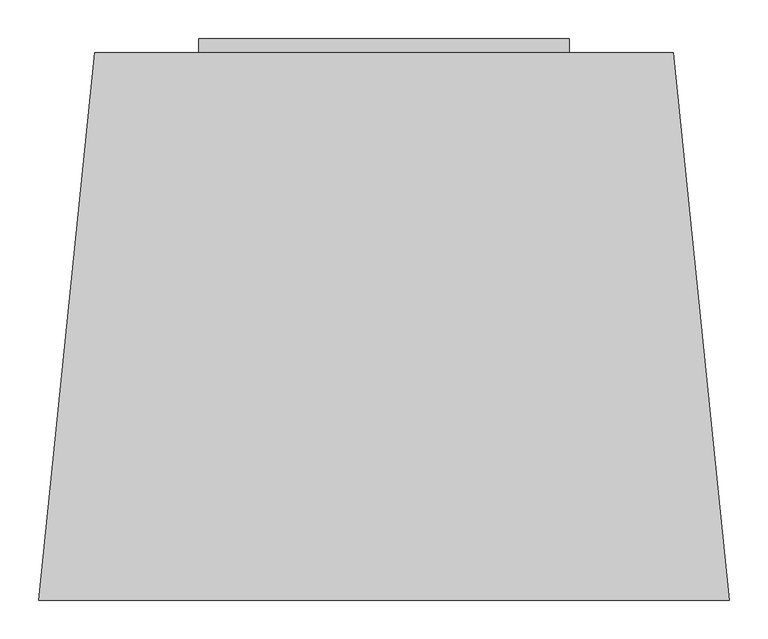
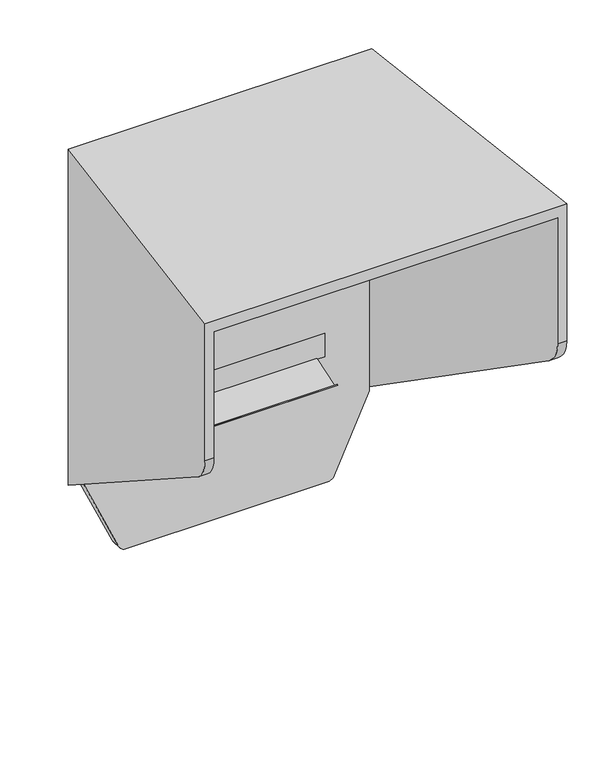
"""IFC4 building model written with IfcOpenShell, lengths in millimetres: furniture geometry."""

import ifcopenshell
import ifcopenshell.guid

model = None  # the IFC model being written
_history = None  # IfcOwnerHistory: only IFC2X3 demands one
_inside = {}  # id of a spatial element -> (the spatial element, [elements in it])
_under = {}  # id of a project, library or spatial element -> (it, [spatial elements below it])
_declared = {}  # id of a project -> (the project, [libraries it declares])
_typed = {}  # id of a type object -> (the type object, [elements of that type])
_made_of = {}  # id of a material, layer set ... -> (it, [elements and type objects made of it])


def new_model(schema):
    """Start an empty IFC model of exactly this schema.

    Asked for "IFC4X3", IfcOpenShell would pick the latest addendum, in which some entities
    have other attributes; the version numbers below select the first issue.
    IFC2X3 requires an IfcOwnerHistory on every rooted entity: one is made here for all.
    """
    global model, _history
    if schema == "IFC4X3":
        model = ifcopenshell.file(schema_version=(4, 3, 0, 0))
    else:
        model = ifcopenshell.file(schema=schema)
    _inside.clear()
    _under.clear()
    _declared.clear()
    _typed.clear()
    _made_of.clear()
    _history = None
    if model.schema == "IFC2X3":
        org = make("IfcOrganization", Name="unknown")
        user = make(
            "IfcPersonAndOrganization",
            ThePerson=make("IfcPerson", FamilyName="unknown"),
            TheOrganization=org,
        )
        app = make(
            "IfcApplication",
            ApplicationDeveloper=org,
            Version="unknown",
            ApplicationFullName="unknown",
            ApplicationIdentifier="unknown",
        )
        _history = make(
            "IfcOwnerHistory",
            OwningUser=user,
            OwningApplication=app,
            ChangeAction="ADDED",
            CreationDate=0,
        )
    return model


def make(cls, **values):
    """One entity of the class cls with the attributes given. An attribute that is None is left unset."""
    return model.create_entity(
        cls, **{name: value for name, value in values.items() if value is not None}
    )


def rooted(cls, **values):
    """An entity with a GlobalId (a new one), such as an element, a storey or a relation."""
    return make(cls, GlobalId=ifcopenshell.guid.new(), OwnerHistory=_history, **values)


def si_unit(unit_type, name, prefix=None):
    """IfcSIUnit, for example si_unit("LENGTHUNIT", "METRE", prefix="MILLI")."""
    return make("IfcSIUnit", UnitType=unit_type, Prefix=prefix, Name=name)


def assignment(units):
    """IfcUnitAssignment: the units of a project."""
    return None if units is None else make("IfcUnitAssignment", Units=units)


def point(xyz):
    """IfcCartesianPoint."""
    return None if xyz is None else make("IfcCartesianPoint", Coordinates=xyz)


def direction(xyz):
    """IfcDirection."""
    return None if xyz is None else make("IfcDirection", DirectionRatios=xyz)


def frame(location, z_axis=None, x_axis=None):
    """IfcAxis2Placement3D, a coordinate frame: its origin and axes. An axis left out is left unset."""
    return make(
        "IfcAxis2Placement3D",
        Location=point(location),
        Axis=direction(z_axis),
        RefDirection=direction(x_axis),
    )


def frame_2d(location, x_axis=None):
    """IfcAxis2Placement2D, a coordinate frame in the plane: its origin and x axis."""
    return make(
        "IfcAxis2Placement2D", Location=point(location), RefDirection=direction(x_axis)
    )


def origin():
    """The frame at (0, 0, 0) with its axes left unset."""
    return frame((0.0, 0.0, 0.0))


def place(relative_to, where):
    """IfcLocalPlacement: puts the frame where relative to a parent placement (None: the world)."""
    return make(
        "IfcLocalPlacement", PlacementRelTo=relative_to, RelativePlacement=where
    )


def context(
    kind, dimensions, precision=None, world=None, true_north=None, identifier=None
):
    """IfcGeometricRepresentationContext, for example the 3D "Model" context."""
    return make(
        "IfcGeometricRepresentationContext",
        ContextIdentifier=identifier,
        ContextType=kind,
        CoordinateSpaceDimension=dimensions,
        Precision=precision,
        WorldCoordinateSystem=world,
        TrueNorth=true_north,
    )


def project(units=None, contexts=None):
    """IfcProject with its units and contexts."""
    return rooted(
        "IfcProject",
        Name="project",
        RepresentationContexts=contexts,
        UnitsInContext=assignment(units),
    )


def spatial(cls, under=None, at=None, **own):
    """A site, building, storey or space (cls), placed at a placement, below another one or the project."""
    s = rooted(cls, ObjectPlacement=at, **own)
    if under is not None:
        _under.setdefault(under.id(), (under, []))[1].append(s)
    return s


def polyline(points):
    """IfcPolyline through the points."""
    return make("IfcPolyline", Points=[point(p) for p in points])


def circle_curve(where, radius):
    """IfcCircle in the frame where."""
    return make("IfcCircle", Position=where, Radius=radius)


def ellipse_curve(where, semi_axis1, semi_axis2):
    """IfcEllipse in the frame where."""
    return make(
        "IfcEllipse", Position=where, SemiAxis1=semi_axis1, SemiAxis2=semi_axis2
    )


def trimmed(basis, trim1, trim2, sense, master):
    """IfcTrimmedCurve: the piece of a basis curve between two trims."""
    return make(
        "IfcTrimmedCurve",
        BasisCurve=basis,
        Trim1=trim1,
        Trim2=trim2,
        SenseAgreement=sense,
        MasterRepresentation=master,
    )


def segment(curve, same_sense, transition):
    """IfcCompositeCurveSegment."""
    return make(
        "IfcCompositeCurveSegment",
        Transition=transition,
        SameSense=same_sense,
        ParentCurve=curve,
    )


def composite_curve(segments, self_intersect=None):
    """IfcCompositeCurve: segments joined end to end."""
    return make("IfcCompositeCurve", Segments=segments, SelfIntersect=self_intersect)


def outline(outer, holes=None, kind="AREA"):
    """IfcArbitraryClosedProfileDef: a profile drawn as a closed curve; with holes, ...WithVoids."""
    if holes is None:
        return make("IfcArbitraryClosedProfileDef", ProfileType=kind, OuterCurve=outer)
    return make(
        "IfcArbitraryProfileDefWithVoids",
        ProfileType=kind,
        OuterCurve=outer,
        InnerCurves=holes,
    )


def extrude(swept, where, along, depth):
    """IfcExtrudedAreaSolid: the profile swept, set in the frame where, extruded along a direction by depth."""
    return make(
        "IfcExtrudedAreaSolid",
        SweptArea=swept,
        Position=where,
        ExtrudedDirection=direction(along),
        Depth=depth,
    )


def faces_of(points, faces, orient=None, outer=None):
    """IfcFace entities. A face is a list of loops; a loop is a list of indices into points, from 0.

    orient and outer hold one flag for each loop. By default every Orientation is true, the
    first loop of a face is its IfcFaceOuterBound and the others are IfcFaceBound.
    """
    made = []
    for i, loops in enumerate(faces):
        bounds = []
        for j, loop in enumerate(loops):
            is_outer = j == 0 if outer is None else outer[i][j]
            bounds.append(
                make(
                    "IfcFaceOuterBound" if is_outer else "IfcFaceBound",
                    Bound=make("IfcPolyLoop", Polygon=[points[k] for k in loop]),
                    Orientation=True if orient is None else orient[i][j],
                )
            )
        made.append(make("IfcFace", Bounds=bounds))
    return made


def faceted_brep(points, faces, orient=None, outer=None, voids=None):
    """IfcFacetedBrep: a solid bounded by flat faces; with voids (closed shells), ...WithVoids."""
    shared = [point(p) for p in points]
    hull = make("IfcClosedShell", CfsFaces=faces_of(shared, faces, orient, outer))
    if voids is None:
        return make("IfcFacetedBrep", Outer=hull)
    return make(
        "IfcFacetedBrepWithVoids",
        Outer=hull,
        Voids=[
            make(cls, CfsFaces=faces_of(shared, fs, o, b)) for cls, fs, o, b in voids
        ],
    )


def shape(context_of_items, identifier, shape_type, items):
    """IfcShapeRepresentation: the items that make up one representation, for example the "Body"."""
    return make(
        "IfcShapeRepresentation",
        ContextOfItems=context_of_items,
        RepresentationIdentifier=identifier,
        RepresentationType=shape_type,
        Items=items,
    )


def source(mapping_origin, context_of_items, identifier, shape_type, items):
    """IfcRepresentationMap: a shape defined once, which mapped items show again and again."""
    return make(
        "IfcRepresentationMap",
        MappingOrigin=mapping_origin,
        MappedRepresentation=shape(context_of_items, identifier, shape_type, items),
    )


def transform(
    local_origin,
    x_axis=None,
    y_axis=None,
    z_axis=None,
    scale=None,
    scale2=None,
    scale3=None,
    uniform=True,
):
    """IfcCartesianTransformationOperator3D, or its non-uniform kind. x_axis, y_axis, z_axis: its Axis1, 2, 3."""
    if uniform:
        return make(
            "IfcCartesianTransformationOperator3D",
            Axis1=direction(x_axis),
            Axis2=direction(y_axis),
            LocalOrigin=point(local_origin),
            Scale=scale,
            Axis3=direction(z_axis),
        )
    return make(
        "IfcCartesianTransformationOperator3DnonUniform",
        Axis1=direction(x_axis),
        Axis2=direction(y_axis),
        LocalOrigin=point(local_origin),
        Scale=scale,
        Axis3=direction(z_axis),
        Scale2=scale2,
        Scale3=scale3,
    )


def mapped(mapping_source, mapping_target):
    """IfcMappedItem: shows the shape of a source again, moved by a transform."""
    return make(
        "IfcMappedItem", MappingSource=mapping_source, MappingTarget=mapping_target
    )


def made_of(thing, what):
    """Note that an element or type object is made of a material, layer set ...; save() writes the relation."""
    if what is not None:
        _made_of.setdefault(what.id(), (what, []))[1].append(thing)
    return thing


def element(
    cls,
    number,
    at=None,
    inside=None,
    cuts=None,
    type_object=None,
    material=None,
    context=None,
    identifier="Body",
    shape_type=None,
    held_by="IfcProductDefinitionShape",
    body=None,
    shapes=None,
    **own,
):
    """One element of the class cls, such as IfcWall. Its Tag is "e" and its number.

    at: its placement. inside: the storey or other place that contains it. cuts: it is an
    opening in that element (IfcRelVoidsElement). A single representation is given by context,
    identifier, shape_type and body (its items); several are given by shapes. held_by: the class
    of the entity that holds the representations. save() writes the other relations.
    """
    e = rooted(cls, Tag="e%d" % number, ObjectPlacement=at, **own)
    if body is not None:
        shapes = [shape(context, identifier, shape_type, body)]
    if shapes is not None:
        e.Representation = make(held_by, Representations=shapes)
    if inside is not None:
        _inside.setdefault(inside.id(), (inside, []))[1].append(e)
    if cuts is not None:
        rooted(
            "IfcRelVoidsElement", RelatingBuildingElement=cuts, RelatedOpeningElement=e
        )
    if type_object is not None:
        _typed.setdefault(type_object.id(), (type_object, []))[1].append(e)
    return made_of(e, material)


def aggregate(whole, parts):
    """IfcRelAggregates: a whole, such as a stair, and the parts it consists of."""
    return rooted("IfcRelAggregates", RelatingObject=whole, RelatedObjects=parts)


def save(model, path):
    """Write the relations noted so far, then the file.

    IfcRelAggregates (storeys below a building ...), IfcRelContainedInSpatialStructure (elements
    in a storey), IfcRelDefinesByType, IfcRelAssociatesMaterial and IfcRelDeclares: one each for
    every whole, place, type object, material and project.
    """
    for whole, parts in _under.values():
        aggregate(whole, parts)
    for where, things in _inside.values():
        rooted(
            "IfcRelContainedInSpatialStructure",
            RelatedElements=things,
            RelatingStructure=where,
        )
    for kind, things in _typed.values():
        rooted("IfcRelDefinesByType", RelatedObjects=things, RelatingType=kind)
    for what, things in _made_of.values():
        rooted("IfcRelAssociatesMaterial", RelatedObjects=things, RelatingMaterial=what)
    for by, libraries in _declared.values():
        rooted("IfcRelDeclares", RelatingContext=by, RelatedDefinitions=libraries)
    model.write(path)


def plane_surface(at):
    """IfcPlane: the flat surface through the origin of the frame at, square to its z axis."""
    return make("IfcPlane", Position=at)


def cylinder_surface(at, radius):
    """IfcCylindricalSurface: all points at the distance radius from the z axis of the frame at."""
    return make("IfcCylindricalSurface", Position=at, Radius=radius)


def advanced_brep(points, edges, surfaces, faces):
    """IfcAdvancedBrep: a solid bounded by faces that lie on surfaces and meet in shared edges.

    An edge is (start, end): straight between two places in points (the first is 0);
    or (start, end, curve); or (start, end, curve, False) where it runs against its curve.
    A face is (place in surfaces, loops), or (place, loops, False) where it looks against
    its surface's normal. A loop lists edges by number (the first is 1), with a minus sign
    where the edge is run from its end to its start. The first loop is the outer one.
    """
    corners = [point(p) for p in points]
    vertices = [make("IfcVertexPoint", VertexGeometry=c) for c in corners]
    made = []
    for start, end, *more in edges:
        made.append(
            make(
                "IfcEdgeCurve",
                EdgeStart=vertices[start],
                EdgeEnd=vertices[end],
                EdgeGeometry=more[0] if more else make("IfcPolyline", Points=[corners[start], corners[end]]),
                SameSense=more[1] if len(more) > 1 else True,
            )
        )
    hull = []
    for where, loops, *sense in faces:
        bounds = []
        for j, loop in enumerate(loops):
            ring = [make("IfcOrientedEdge", EdgeElement=made[abs(k) - 1], Orientation=k > 0) for k in loop]
            bounds.append(
                make(
                    "IfcFaceOuterBound" if j == 0 else "IfcFaceBound",
                    Bound=make("IfcEdgeLoop", EdgeList=ring),
                    Orientation=True,
                )
            )
        hull.append(make("IfcAdvancedFace", Bounds=bounds, FaceSurface=surfaces[where], SameSense=sense[0] if sense else True))
    return make("IfcAdvancedBrep", Outer=make("IfcClosedShell", CfsFaces=hull))


def furniture_3f106c0f(model_context):
    return source(origin(), model_context, "Body", "SolidModel", [
        extrude(outline(composite_curve([segment(polyline([(1196.2520627, -225.1627467), (1010.7755343, -141.9604968)]), True, "CONTINUOUS"), segment(trimmed(circle_curve(frame_2d((1018.2926056, -125.2032543)), 18.3660431), [point((1010.7755343, -141.9604968))], [point((999.9265625, -125.2032543))], False, "CARTESIAN"), True, "CONTINUOUS"), segment(polyline([(999.9265625, -125.2032543), (999.9265625, 374.4783123)]), True, "CONTINUOUS"), segment(trimmed(circle_curve(frame_2d((1018.2820312, 374.4783123)), 18.3554688), [point((999.9265625, 374.4783123))], [point((1010.7054031, 391.1971024))], False, "CARTESIAN"), True, "CONTINUOUS"), segment(polyline([(1010.7054031, 391.1971024), (1195.9359164, 475.1399425)]), True, "CONTINUOUS"), segment(trimmed(circle_curve(frame_2d((1203.7173183, 457.9692933)), 18.8515625), [point((1195.9359164, 475.1399425))], [point((1203.7172845, 476.8208558))], False, "CARTESIAN"), True, "CONTINUOUS"), segment(polyline([(1203.7172845, 476.8208558), (2040.9999033, 476.8223546), (2040.9999033, -226.8291567), (1203.9675135, -226.814077)]), True, "CONTINUOUS"), segment(trimmed(circle_curve(frame_2d((1203.9678531, -207.9625145)), 18.8515625), [point((1203.9675135, -226.814077))], [point((1196.2520627, -225.1627467))], False, "CARTESIAN"), True, "CONTINUOUS")], self_intersect=False)), frame((0.0, -122.0084511, 0.0), z_axis=(0.0, 1.0, 0.0), x_axis=(0.0, 0.0, 1.0)), (0.0, 0.0, 1.0), 29.0060977),
        advanced_brep(
        [(572.3771994, -802.9125096, 2070.0007812), (499.8868824, -93.0023534, 2070.0007812), (-249.7337487, -93.0023534, 2070.0007812), (-322.2246246, -802.9125096, 2070.0007812), (476.8216093, -93.0023534, 1191.7094635), (546.6051375, -769.3611561, 1648.8362137), (550.0668088, -802.9125096, 1712.0080734), (550.0668088, -802.9125096, 2040.9999033), (476.8216093, -93.0023534, 2040.9999033), (-322.2246246, -802.9125096, 1712.0080734), (-300.0668088, -802.9125096, 1712.0080734), (-300.0668088, -802.9125096, 2040.9999033), (572.3771994, -802.9125096, 1712.0080734), (568.9512049, -769.3611561, 1648.8362137), (499.8868824, -93.0023534, 1191.7094635), (-226.8216093, -93.0023534, 2040.9999033), (-226.8216093, -93.0023534, 1191.7094635), (-249.7337487, -93.0023534, 1191.7094635), (-296.6051375, -769.3611561, 1648.8362137), (-318.7986038, -769.3611561, 1648.8362137)],
        [
            (0, 1),
            (1, 2),
            (2, 3),
            (3, 0),
            (4, 5),
            (5, 6, ellipse_curve(frame((542.2000055, -726.6655531, 1712.0080734), z_axis=(-0.9947195490172969, -0.10263049645610012, 0.0), x_axis=(-0.10263049645609973, 0.994719549017297, 0.0)), 76.6517122, 76.2469566)),
            (6, 7),
            (7, 8),
            (8, 4),
            (3, 9),
            (9, 10),
            (10, 11),
            (11, 7),
            (6, 12),
            (12, 0),
            (12, 13, ellipse_curve(frame((564.5914732, -726.6655531, 1712.0080734), z_axis=(0.9948269925511616, 0.10158373340063472, 0.0), x_axis=(-0.10158373340063367, 0.9948269925511617, 0.0)), 76.6434336, 76.2469566)),
            (13, 14),
            (14, 1),
            (14, 4),
            (8, 15),
            (15, 16),
            (16, 17),
            (17, 2),
            (18, 16),
            (15, 11),
            (10, 18, ellipse_curve(frame((-292.2000055, -726.6655531, 1712.0080734), z_axis=(0.9947195490172974, -0.10263049645609514, 0.0), x_axis=(-0.10263049645609379, -0.9947195490172973, 0.0)), 76.6517122, 76.2469566)),
            (17, 19),
            (19, 9, ellipse_curve(frame((-314.4388385, -726.6655531, 1712.0080734), z_axis=(-0.9948269133965385, 0.10158450857249933, 0.0), x_axis=(-0.10158450857249769, -0.9948269133965385, 0.0)), 76.6434397, 76.2469566)),
            (13, 5),
            (18, 19),
        ],
        [
            plane_surface(frame((550.0668088, -802.9125096, 2070.0007812), z_axis=(0.0, 0.0, 1.0), x_axis=(0.10263049645610012, -0.9947195490172969, 0.0))),
            plane_surface(frame((476.8216093, -93.0023534, 2070.0007812), z_axis=(-0.9947195490172969, -0.10263049645610012, 0.0), x_axis=(0.0, 0.0, -1.0))),
            plane_surface(frame((550.0668088, -802.9125096, 2070.0007812), z_axis=(0.0, -1.0, 0.0), x_axis=(0.0, 0.0, -1.0))),
            plane_surface(frame((572.3771994, -802.9125096, 2070.0007812), z_axis=(0.9948269925511616, 0.10158373340063472, 0.0), x_axis=(0.0, 0.0, -1.0))),
            plane_surface(frame((499.8868824, -93.0023534, 2070.0007812), z_axis=(0.0, 1.0, 0.0), x_axis=(0.0, 0.0, -1.0))),
            plane_surface(frame((-300.0668088, -802.9125096, 2070.0007812), z_axis=(0.9947195490172974, -0.10263049645609514, 0.0), x_axis=(0.0, 0.0, -1.0))),
            plane_surface(frame((-249.7337487, -93.0023534, 2070.0007812), z_axis=(-0.9948269133965385, 0.10158450857249933, 0.0), x_axis=(0.0, 0.0, -1.0))),
            plane_surface(frame((-300.0668088, -802.9125096, 2040.9999033), z_axis=(0.0, 0.0, -1.0000000000000002), x_axis=(0.10263049645609519, 0.9947195490172974, 0.0))),
            plane_surface(frame((640.927666, -75.0, 1179.542316), z_axis=(0.0, -0.5599646853681015, -0.8285164760827651), x_axis=(-1.0, 0.0, 0.0))),
            cylinder_surface(frame((-389.0371502, -726.6655531, 1712.0080734), z_axis=(-1.0, 0.0, 0.0), x_axis=(0.0, 1.0, 0.0)), 76.2469566),
        ],
        [
            (0, [[1, 2, 3, 4]]),
            (1, [[5, 6, 7, 8, 9]]),
            (2, [[-4, 10, 11, 12, 13, -7, 14, 15]]),
            (3, [[-1, -15, 16, 17, 18]]),
            (4, [[-2, -18, 19, -9, 20, 21, 22, 23]]),
            (5, [[24, -21, 25, -12, 26]]),
            (6, [[-3, -23, 27, 28, -10]]),
            (7, [[-20, -8, -13, -25]]),
            (8, [[29, -5, -19, -17]]),
            (8, [[30, -27, -22, -24]]),
            (9, [[-29, -16, -14, -6]]),
            (9, [[-30, -26, -11, -28]]),
        ],
    ),
        faceted_brep([(366.2342173, -121.8168257, 1391.1749724), (366.2342173, -123.3168257, 1391.1749724), (366.2342173, -123.3168257, 1330.8034421), (366.2342173, -121.8168257, 1332.3034421), (366.2342173, -177.9145504, 1290.347853), (366.2342173, -178.3853682, 1289.8770352), (366.2342173, -177.9145504, 1289.4062175), (-114.1646847, -121.8168257, 1391.1749724), (-114.1646847, -121.8168257, 1332.3034421), (-114.1646847, -123.3168257, 1330.8034421), (-114.1646847, -123.3168257, 1391.1749724), (-114.1646847, -178.3853682, 1289.8770352), (-114.1646847, -177.324708, 1290.9376954), (-114.1646847, -172.2285564, 1285.8415438), (-114.1646847, -172.2285564, 1283.7202234), (-96.3622706, -123.3168257, 1330.8034421), (-96.3622706, -123.3168257, 1332.9247625), (346.3622706, -123.3168257, 1332.9247625), (346.3622706, -123.3168257, 1330.8034421), (-113.8319227, -171.3143004, 1284.9272878), (363.8319227, -171.3143004, 1284.9272878), (366.0195322, -177.324708, 1290.9376954), (-113.8319227, -171.3143004, 1282.8059674), (363.8319227, -171.3143004, 1282.8059674)], [[[0, 1, 2, 3]], [[4, 5, 6]], [[7, 8, 9, 10]], [[11, 12, 13, 14]], [[1, 0, 7, 10]], [[1, 10, 9, 15, 16, 17, 18, 2]], [[17, 16, 19, 20]], [[13, 12, 21, 20, 19]], [[12, 11, 5, 4, 21]], [[5, 11, 14, 22, 23, 6]], [[8, 3, 2, 18, 23, 22, 15, 9]], [[0, 3, 8, 7]], [[18, 17, 20, 21, 4, 6, 23]], [[16, 15, 22, 14, 13, 19]]]),
        extrude(outline(polyline([(365.0000127, -93.0023534), (-115.0000127, -93.0023534), (-115.0000127, -75.0), (365.0000127, -75.0), (365.0000127, -93.0023534)])), frame((0.0, 0.0, 1782.0000874), z_axis=(0.0, 0.0, 1.0), x_axis=(1.0, 0.0, 0.0)), (0.0, 0.0, 1.0), 75.9999395),
        extrude(outline(polyline([(365.0000127, -93.0023534), (-115.0000127, -93.0023534), (-115.0000127, -75.0), (365.0000127, -75.0), (365.0000127, -93.0023534)])), frame((0.0, 0.0, 1311.9999602), z_axis=(0.0, 0.0, 1.0), x_axis=(1.0, 0.0, 0.0)), (0.0, 0.0, 1.0), 76.0000122),
    ])


if __name__ == "__main__":
    model = new_model("IFC4")
    model_context = context("Model", 3, world=origin())
    ifc_project = project(units=[si_unit("LENGTHUNIT", "METRE", prefix="MILLI")], contexts=[model_context])
    site = spatial("IfcSite", under=ifc_project)
    building = spatial("IfcBuilding", under=site)
    placement = place(None, origin())
    furniture_shape = furniture_3f106c0f(model_context)
    element("IfcFurniture", 1, at=placement, inside=building, context=model_context, shape_type="MappedRepresentation", body=[
        mapped(furniture_shape, transform((0.0, 0.0, 0.0), x_axis=(1.0, 0.0, 0.0), y_axis=(0.0, 1.0, 0.0), z_axis=(0.0, 0.0, 1.0))),
    ])
    save(model, "model.ifc")
